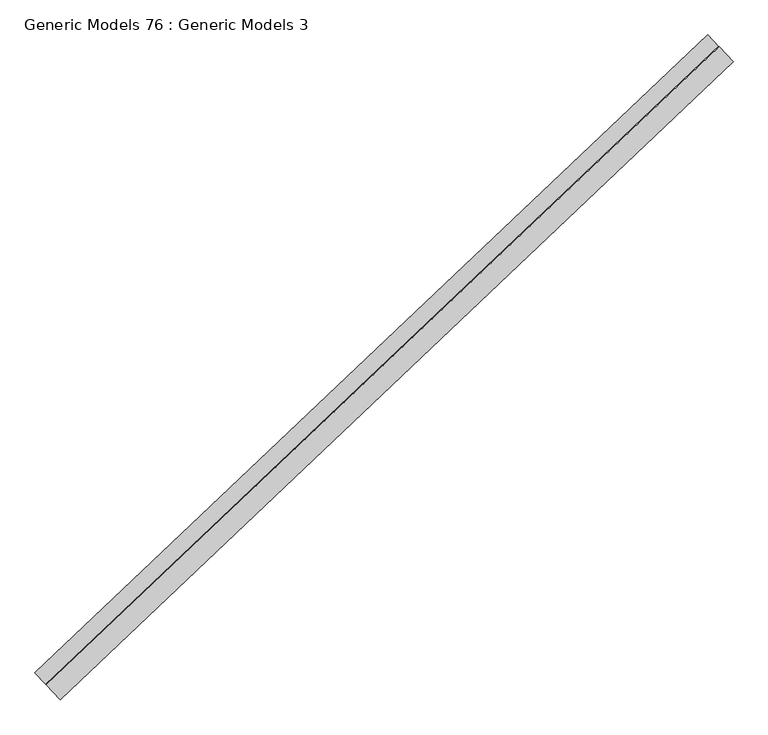
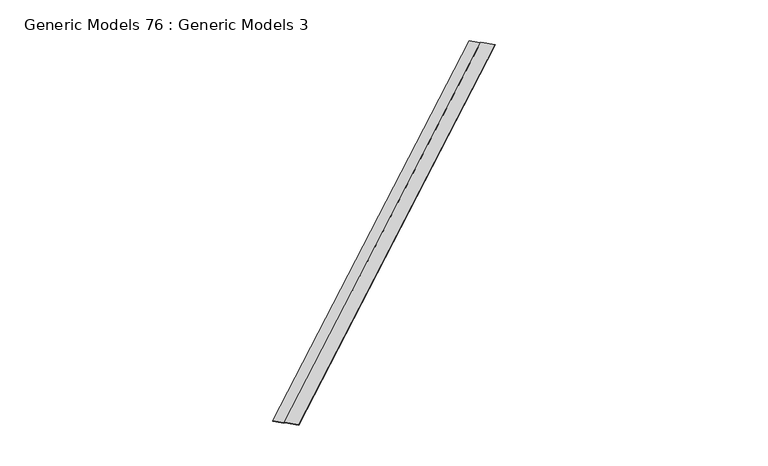
"""IFC4 building model written with IfcOpenShell, lengths in millimetres: proxy geometry, Generic Models 76 : Generic Models 3."""

from ifc_helpers import new_model, si_unit, frame, origin, place, context, project, spatial, polyline, outline, extrude, source, transform, mapped, element, save


def generic_models_76_generic_models_3_2d662d95(model_context):
    return source(origin(), model_context, "Body", "SweptSolid", [
        extrude(outline(polyline([(93.6957713, 0.0), (98.7999978, -5.1042265), (173.9705954, -5.1042265), (173.9705954, -6.6917265), (98.1424338, -6.6917265), (93.0382073, -1.5875), (-5.2445011, -1.5875), (-5.2445011, 0.0), (93.6957713, 0.0)])), frame((108269.5192305, 48335.249274, 18708.5309816), z_axis=(0.7253743710122986, 0.6883545756937424, 0.0), x_axis=(-0.6883545756937424, 0.7253743710122986, 0.0)), (0.0, 0.0, 1.0), 4530.725),
    ])


if __name__ == "__main__":
    model = new_model("IFC4")
    model_context = context("Model", 3, world=origin())
    ifc_project = project(units=[si_unit("LENGTHUNIT", "METRE", prefix="MILLI")], contexts=[model_context])
    site = spatial("IfcSite", under=ifc_project)
    building = spatial("IfcBuilding", under=site)
    placement = place(None, origin())
    generic_models_76_generic_models_3_shape = generic_models_76_generic_models_3_2d662d95(model_context)
    element("IfcBuildingElementProxy", 1, Name="Generic Models 76 : Generic Models 3", ObjectType="Generic Models 76 : Generic Models 3", at=placement, inside=building, context=model_context, shape_type="MappedRepresentation", body=[
        mapped(generic_models_76_generic_models_3_shape, transform((0.0, 0.0, 0.0), x_axis=(1.0, 0.0, 0.0), y_axis=(0.0, 1.0, 0.0), z_axis=(0.0, 0.0, 1.0))),
    ])
    save(model, "model.ifc")
